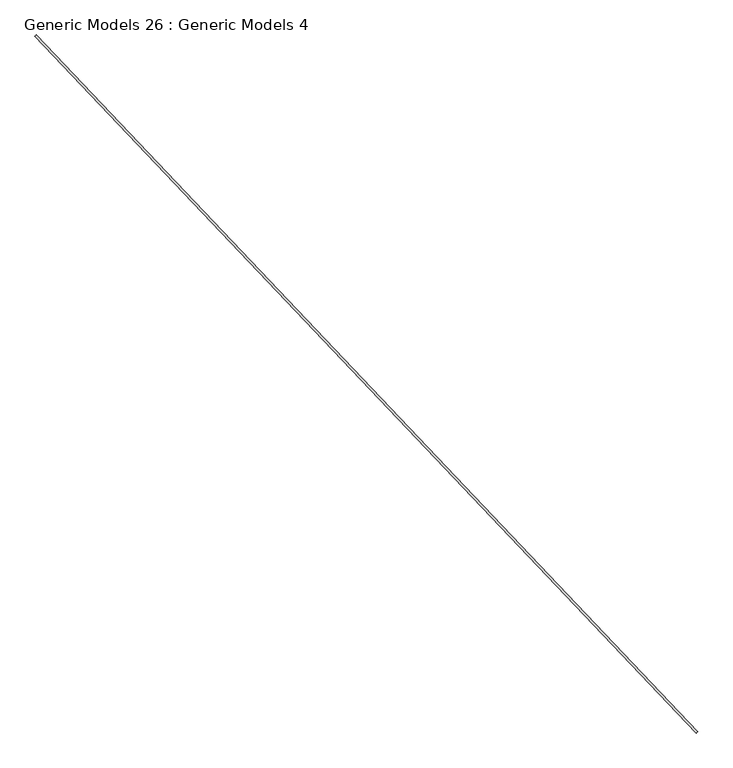
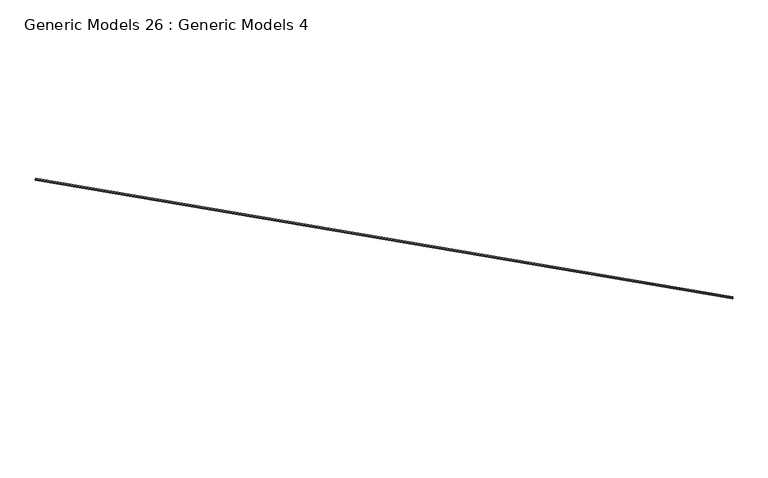
"""IFC4 building model written with IfcOpenShell, lengths in millimetres: proxy geometry, Generic Models 26 : Generic Models 4."""

import ifcopenshell
import ifcopenshell.guid

model = None  # the IFC model being written
_history = None  # IfcOwnerHistory: only IFC2X3 demands one
_inside = {}  # id of a spatial element -> (the spatial element, [elements in it])
_under = {}  # id of a project, library or spatial element -> (it, [spatial elements below it])
_declared = {}  # id of a project -> (the project, [libraries it declares])
_typed = {}  # id of a type object -> (the type object, [elements of that type])
_made_of = {}  # id of a material, layer set ... -> (it, [elements and type objects made of it])


def new_model(schema):
    """Start an empty IFC model of exactly this schema.

    Asked for "IFC4X3", IfcOpenShell would pick the latest addendum, in which some entities
    have other attributes; the version numbers below select the first issue.
    IFC2X3 requires an IfcOwnerHistory on every rooted entity: one is made here for all.
    """
    global model, _history
    if schema == "IFC4X3":
        model = ifcopenshell.file(schema_version=(4, 3, 0, 0))
    else:
        model = ifcopenshell.file(schema=schema)
    _inside.clear()
    _under.clear()
    _declared.clear()
    _typed.clear()
    _made_of.clear()
    _history = None
    if model.schema == "IFC2X3":
        org = make("IfcOrganization", Name="unknown")
        user = make(
            "IfcPersonAndOrganization",
            ThePerson=make("IfcPerson", FamilyName="unknown"),
            TheOrganization=org,
        )
        app = make(
            "IfcApplication",
            ApplicationDeveloper=org,
            Version="unknown",
            ApplicationFullName="unknown",
            ApplicationIdentifier="unknown",
        )
        _history = make(
            "IfcOwnerHistory",
            OwningUser=user,
            OwningApplication=app,
            ChangeAction="ADDED",
            CreationDate=0,
        )
    return model


def make(cls, **values):
    """One entity of the class cls with the attributes given. An attribute that is None is left unset."""
    return model.create_entity(
        cls, **{name: value for name, value in values.items() if value is not None}
    )


def rooted(cls, **values):
    """An entity with a GlobalId (a new one), such as an element, a storey or a relation."""
    return make(cls, GlobalId=ifcopenshell.guid.new(), OwnerHistory=_history, **values)


def si_unit(unit_type, name, prefix=None):
    """IfcSIUnit, for example si_unit("LENGTHUNIT", "METRE", prefix="MILLI")."""
    return make("IfcSIUnit", UnitType=unit_type, Prefix=prefix, Name=name)


def assignment(units):
    """IfcUnitAssignment: the units of a project."""
    return None if units is None else make("IfcUnitAssignment", Units=units)


def point(xyz):
    """IfcCartesianPoint."""
    return None if xyz is None else make("IfcCartesianPoint", Coordinates=xyz)


def direction(xyz):
    """IfcDirection."""
    return None if xyz is None else make("IfcDirection", DirectionRatios=xyz)


def frame(location, z_axis=None, x_axis=None):
    """IfcAxis2Placement3D, a coordinate frame: its origin and axes. An axis left out is left unset."""
    return make(
        "IfcAxis2Placement3D",
        Location=point(location),
        Axis=direction(z_axis),
        RefDirection=direction(x_axis),
    )


def frame_2d(location, x_axis=None):
    """IfcAxis2Placement2D, a coordinate frame in the plane: its origin and x axis."""
    return make(
        "IfcAxis2Placement2D", Location=point(location), RefDirection=direction(x_axis)
    )


def origin():
    """The frame at (0, 0, 0) with its axes left unset."""
    return frame((0.0, 0.0, 0.0))


def place(relative_to, where):
    """IfcLocalPlacement: puts the frame where relative to a parent placement (None: the world)."""
    return make(
        "IfcLocalPlacement", PlacementRelTo=relative_to, RelativePlacement=where
    )


def context(
    kind, dimensions, precision=None, world=None, true_north=None, identifier=None
):
    """IfcGeometricRepresentationContext, for example the 3D "Model" context."""
    return make(
        "IfcGeometricRepresentationContext",
        ContextIdentifier=identifier,
        ContextType=kind,
        CoordinateSpaceDimension=dimensions,
        Precision=precision,
        WorldCoordinateSystem=world,
        TrueNorth=true_north,
    )


def project(units=None, contexts=None):
    """IfcProject with its units and contexts."""
    return rooted(
        "IfcProject",
        Name="project",
        RepresentationContexts=contexts,
        UnitsInContext=assignment(units),
    )


def spatial(cls, under=None, at=None, **own):
    """A site, building, storey or space (cls), placed at a placement, below another one or the project."""
    s = rooted(cls, ObjectPlacement=at, **own)
    if under is not None:
        _under.setdefault(under.id(), (under, []))[1].append(s)
    return s


def polyline(points):
    """IfcPolyline through the points."""
    return make("IfcPolyline", Points=[point(p) for p in points])


def circle_curve(where, radius):
    """IfcCircle in the frame where."""
    return make("IfcCircle", Position=where, Radius=radius)


def trimmed(basis, trim1, trim2, sense, master):
    """IfcTrimmedCurve: the piece of a basis curve between two trims."""
    return make(
        "IfcTrimmedCurve",
        BasisCurve=basis,
        Trim1=trim1,
        Trim2=trim2,
        SenseAgreement=sense,
        MasterRepresentation=master,
    )


def segment(curve, same_sense, transition):
    """IfcCompositeCurveSegment."""
    return make(
        "IfcCompositeCurveSegment",
        Transition=transition,
        SameSense=same_sense,
        ParentCurve=curve,
    )


def composite_curve(segments, self_intersect=None):
    """IfcCompositeCurve: segments joined end to end."""
    return make("IfcCompositeCurve", Segments=segments, SelfIntersect=self_intersect)


def outline(outer, holes=None, kind="AREA"):
    """IfcArbitraryClosedProfileDef: a profile drawn as a closed curve; with holes, ...WithVoids."""
    if holes is None:
        return make("IfcArbitraryClosedProfileDef", ProfileType=kind, OuterCurve=outer)
    return make(
        "IfcArbitraryProfileDefWithVoids",
        ProfileType=kind,
        OuterCurve=outer,
        InnerCurves=holes,
    )


def extrude(swept, where, along, depth):
    """IfcExtrudedAreaSolid: the profile swept, set in the frame where, extruded along a direction by depth."""
    return make(
        "IfcExtrudedAreaSolid",
        SweptArea=swept,
        Position=where,
        ExtrudedDirection=direction(along),
        Depth=depth,
    )


def shape(context_of_items, identifier, shape_type, items):
    """IfcShapeRepresentation: the items that make up one representation, for example the "Body"."""
    return make(
        "IfcShapeRepresentation",
        ContextOfItems=context_of_items,
        RepresentationIdentifier=identifier,
        RepresentationType=shape_type,
        Items=items,
    )


def source(mapping_origin, context_of_items, identifier, shape_type, items):
    """IfcRepresentationMap: a shape defined once, which mapped items show again and again."""
    return make(
        "IfcRepresentationMap",
        MappingOrigin=mapping_origin,
        MappedRepresentation=shape(context_of_items, identifier, shape_type, items),
    )


def transform(
    local_origin,
    x_axis=None,
    y_axis=None,
    z_axis=None,
    scale=None,
    scale2=None,
    scale3=None,
    uniform=True,
):
    """IfcCartesianTransformationOperator3D, or its non-uniform kind. x_axis, y_axis, z_axis: its Axis1, 2, 3."""
    if uniform:
        return make(
            "IfcCartesianTransformationOperator3D",
            Axis1=direction(x_axis),
            Axis2=direction(y_axis),
            LocalOrigin=point(local_origin),
            Scale=scale,
            Axis3=direction(z_axis),
        )
    return make(
        "IfcCartesianTransformationOperator3DnonUniform",
        Axis1=direction(x_axis),
        Axis2=direction(y_axis),
        LocalOrigin=point(local_origin),
        Scale=scale,
        Axis3=direction(z_axis),
        Scale2=scale2,
        Scale3=scale3,
    )


def mapped(mapping_source, mapping_target):
    """IfcMappedItem: shows the shape of a source again, moved by a transform."""
    return make(
        "IfcMappedItem", MappingSource=mapping_source, MappingTarget=mapping_target
    )


def made_of(thing, what):
    """Note that an element or type object is made of a material, layer set ...; save() writes the relation."""
    if what is not None:
        _made_of.setdefault(what.id(), (what, []))[1].append(thing)
    return thing


def element(
    cls,
    number,
    at=None,
    inside=None,
    cuts=None,
    type_object=None,
    material=None,
    context=None,
    identifier="Body",
    shape_type=None,
    held_by="IfcProductDefinitionShape",
    body=None,
    shapes=None,
    **own,
):
    """One element of the class cls, such as IfcWall. Its Tag is "e" and its number.

    at: its placement. inside: the storey or other place that contains it. cuts: it is an
    opening in that element (IfcRelVoidsElement). A single representation is given by context,
    identifier, shape_type and body (its items); several are given by shapes. held_by: the class
    of the entity that holds the representations. save() writes the other relations.
    """
    e = rooted(cls, Tag="e%d" % number, ObjectPlacement=at, **own)
    if body is not None:
        shapes = [shape(context, identifier, shape_type, body)]
    if shapes is not None:
        e.Representation = make(held_by, Representations=shapes)
    if inside is not None:
        _inside.setdefault(inside.id(), (inside, []))[1].append(e)
    if cuts is not None:
        rooted(
            "IfcRelVoidsElement", RelatingBuildingElement=cuts, RelatedOpeningElement=e
        )
    if type_object is not None:
        _typed.setdefault(type_object.id(), (type_object, []))[1].append(e)
    return made_of(e, material)


def aggregate(whole, parts):
    """IfcRelAggregates: a whole, such as a stair, and the parts it consists of."""
    return rooted("IfcRelAggregates", RelatingObject=whole, RelatedObjects=parts)


def save(model, path):
    """Write the relations noted so far, then the file.

    IfcRelAggregates (storeys below a building ...), IfcRelContainedInSpatialStructure (elements
    in a storey), IfcRelDefinesByType, IfcRelAssociatesMaterial and IfcRelDeclares: one each for
    every whole, place, type object, material and project.
    """
    for whole, parts in _under.values():
        aggregate(whole, parts)
    for where, things in _inside.values():
        rooted(
            "IfcRelContainedInSpatialStructure",
            RelatedElements=things,
            RelatingStructure=where,
        )
    for kind, things in _typed.values():
        rooted("IfcRelDefinesByType", RelatedObjects=things, RelatingType=kind)
    for what, things in _made_of.values():
        rooted("IfcRelAssociatesMaterial", RelatedObjects=things, RelatingMaterial=what)
    for by, libraries in _declared.values():
        rooted("IfcRelDeclares", RelatingContext=by, RelatedDefinitions=libraries)
    model.write(path)


def generic_models_26_generic_models_4_3133cc39(model_context):
    return source(origin(), model_context, "Body", "SweptSolid", [
        extrude(outline(composite_curve([segment(polyline([(-1.6265685, -1.1176), (-27.1526, -1.1176), (-27.1526, 0.0), (-0.6484032, 0.0)]), True, "CONTINUOUS"), segment(trimmed(circle_curve(frame_2d((-63.5524763, -9.0551)), 63.5524763), [point((-0.6484032, 0.0))], [point((-0.6484032, -18.1102))], False, "CARTESIAN"), True, "CONTINUOUS"), segment(polyline([(-0.6484032, -18.1102), (-15.2146, -18.1102), (-15.1638, -16.9926), (-1.6265685, -16.9926)]), True, "CONTINUOUS"), segment(trimmed(circle_curve(frame_2d((-63.2658004, -9.0551)), 62.1482004), [point((-1.6265685, -16.9926))], [point((-1.6265685, -1.1176))], True, "CARTESIAN"), True, "CONTINUOUS")], self_intersect=False)), frame((113483.0285275, 53746.7162773, 17496.89286), z_axis=(-0.6883545756936593, 0.7253743710123776, 0.0), x_axis=(0.0, 0.0, 1.0)), (0.0, 0.0, 1.0), 8832.85),
    ])


if __name__ == "__main__":
    model = new_model("IFC4")
    model_context = context("Model", 3, world=origin())
    ifc_project = project(units=[si_unit("LENGTHUNIT", "METRE", prefix="MILLI")], contexts=[model_context])
    site = spatial("IfcSite", under=ifc_project)
    building = spatial("IfcBuilding", under=site)
    placement = place(None, origin())
    generic_models_26_generic_models_4_shape = generic_models_26_generic_models_4_3133cc39(model_context)
    element("IfcBuildingElementProxy", 1, Name="Generic Models 26 : Generic Models 4", ObjectType="Generic Models 26 : Generic Models 4", at=placement, inside=building, context=model_context, shape_type="MappedRepresentation", body=[
        mapped(generic_models_26_generic_models_4_shape, transform((0.0, 0.0, 0.0), x_axis=(1.0, 0.0, 0.0), y_axis=(0.0, 1.0, 0.0), z_axis=(0.0, 0.0, 1.0))),
    ])
    save(model, "model.ifc")
